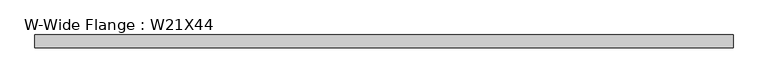
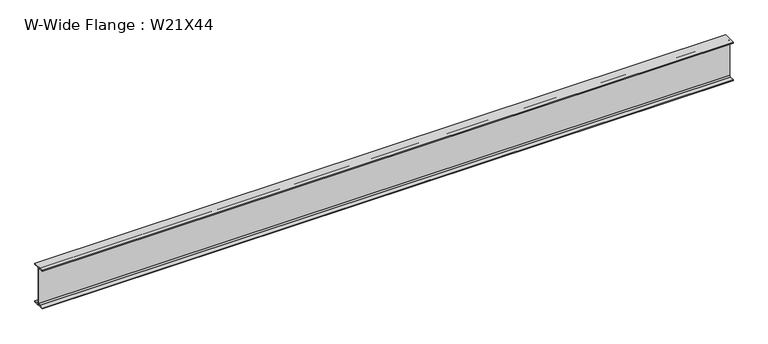
"""IFC4 building model written with IfcOpenShell, lengths in millimetres: beam geometry, W-Wide Flange : W21X44."""

from ifc_helpers import new_model, si_unit, point, frame, frame_2d, origin, place, context, project, spatial, polyline, circle_curve, trimmed, segment, composite_curve, outline, extrude, source, transform, mapped, element, save


def w_wide_flange_w21x44_bbbc4cc8(model_context):
    return source(origin(), model_context, "Body", "SweptSolid", [
        extrude(outline(composite_curve([segment(polyline([(82.55, -251.4699219), (82.55, -262.8800781), (-82.55, -262.8800781), (-82.55, -251.4699219), (-21.6296875, -251.4699219)]), True, "CONTINUOUS"), segment(trimmed(circle_curve(frame_2d((-21.6296875, -234.3050781)), 17.1648437), [point((-21.6296875, -251.4699219))], [point((-4.4648438, -234.3050781))], True, "CARTESIAN"), True, "CONTINUOUS"), segment(polyline([(-4.4648438, -234.3050781), (-4.4648438, 234.3050781)]), True, "CONTINUOUS"), segment(trimmed(circle_curve(frame_2d((-21.6296875, 234.3050781)), 17.1648437), [point((-4.4648438, 234.3050781))], [point((-21.6296875, 251.4699219))], True, "CARTESIAN"), True, "CONTINUOUS"), segment(polyline([(-21.6296875, 251.4699219), (-82.55, 251.4699219), (-82.55, 262.8800781), (82.55, 262.8800781), (82.55, 251.4699219), (21.6296875, 251.4699219)]), True, "CONTINUOUS"), segment(trimmed(circle_curve(frame_2d((21.6296875, 234.3050781)), 17.1648437), [point((21.6296875, 251.4699219))], [point((4.4648437, 234.3050781))], True, "CARTESIAN"), True, "CONTINUOUS"), segment(polyline([(4.4648437, 234.3050781), (4.4648437, -234.3050781)]), True, "CONTINUOUS"), segment(trimmed(circle_curve(frame_2d((21.6296875, -234.3050781)), 17.1648437), [point((4.4648437, -234.3050781))], [point((21.6296875, -251.4699219))], True, "CARTESIAN"), True, "CONTINUOUS"), segment(polyline([(21.6296875, -251.4699219), (82.55, -251.4699219)]), True, "CONTINUOUS")], self_intersect=False)), frame((-4483.1, 0.0, 0.0), z_axis=(1.0, 0.0, 0.0), x_axis=(0.0, 1.0, 0.0)), (0.0, 0.0, 1.0), 8938.2699219),
    ])


if __name__ == "__main__":
    model = new_model("IFC4")
    model_context = context("Model", 3, world=origin())
    ifc_project = project(units=[si_unit("LENGTHUNIT", "METRE", prefix="MILLI")], contexts=[model_context])
    site = spatial("IfcSite", under=ifc_project)
    building = spatial("IfcBuilding", under=site)
    placement = place(None, origin())
    w_wide_flange_w21x44_shape = w_wide_flange_w21x44_bbbc4cc8(model_context)
    element("IfcBeam", 1, ObjectType="W-Wide Flange : W21X44", at=placement, inside=building, context=model_context, shape_type="MappedRepresentation", body=[
        mapped(w_wide_flange_w21x44_shape, transform((0.0, 0.0, 0.0), x_axis=(1.0, 0.0, 0.0), y_axis=(0.0, 1.0, 0.0), z_axis=(0.0, 0.0, 1.0))),
    ])
    save(model, "model.ifc")
